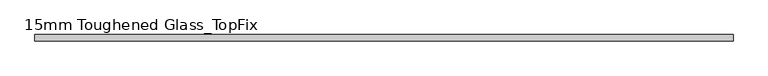
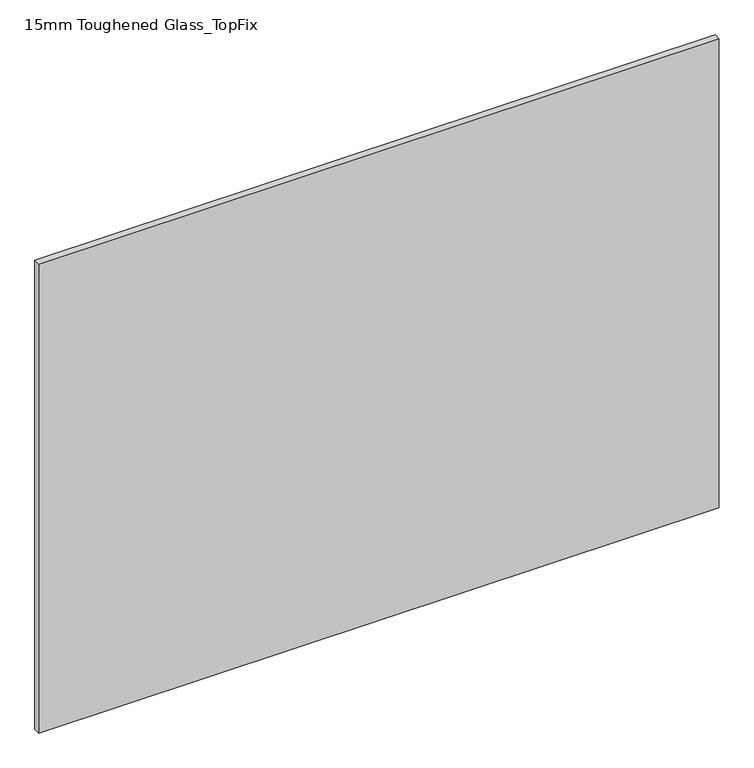
"""IFC4 building model written with IfcOpenShell, lengths in millimetres: plate geometry, 15mm Toughened Glass_TopFix."""

from ifc_helpers import new_model, si_unit, origin, origin_with_axes, place, context, project, spatial, polyline, outline, extrude, source, transform, mapped, element, save


def plate_15mm_toughened_glass_topfix_b0be7652(model_context):
    return source(origin(), model_context, "Body", "SweptSolid", [
        extrude(outline(polyline([(795.0000001, 7.5), (795.0000001, -7.5), (-795.0000001, -7.5), (-795.0000001, 7.5), (795.0000001, 7.5)])), origin_with_axes(), (0.0, 0.0, 1.0), 1158.0),
    ])


if __name__ == "__main__":
    model = new_model("IFC4")
    model_context = context("Model", 3, world=origin())
    ifc_project = project(units=[si_unit("LENGTHUNIT", "METRE", prefix="MILLI")], contexts=[model_context])
    site = spatial("IfcSite", under=ifc_project)
    building = spatial("IfcBuilding", under=site)
    placement = place(None, origin())
    plate_15mm_toughened_glass_topfix_shape = plate_15mm_toughened_glass_topfix_b0be7652(model_context)
    element("IfcPlate", 1, ObjectType="15mm Toughened Glass_TopFix", at=placement, inside=building, context=model_context, shape_type="MappedRepresentation", body=[
        mapped(plate_15mm_toughened_glass_topfix_shape, transform((0.0, 0.0, 0.0), x_axis=(1.0, 0.0, 0.0), y_axis=(0.0, 1.0, 0.0), z_axis=(0.0, 0.0, 1.0))),
    ])
    save(model, "model.ifc")
